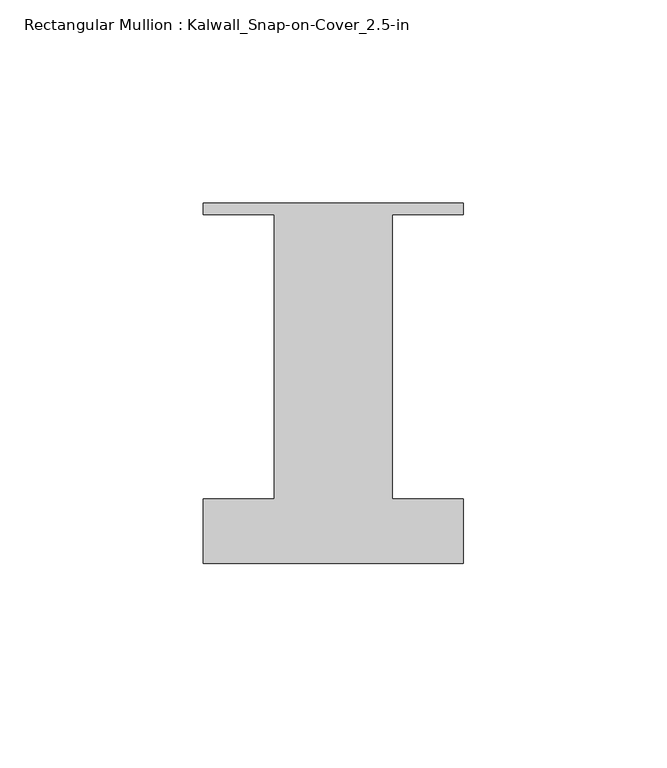
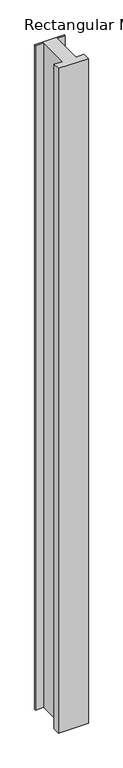
"""IFC4 building model written with IfcOpenShell, lengths in millimetres: member geometry, Rectangular Mullion : Kalwall_Snap-on-Cover_2.5-in."""

from ifc_helpers import new_model, si_unit, frame, origin, place, context, project, spatial, polyline, outline, extrude, source, transform, mapped, element, save


def rectangular_mullion_kalwall_snap_on_cover_2_5_in_87eda4e7(model_context):
    return source(origin(), model_context, "Body", "SweptSolid", [
        extrude(outline(polyline([(-32.0, 37.794), (32.0, 37.794), (32.0, 35.0), (14.5, 35.0), (14.5, -35.0), (32.0, -35.0), (32.0, -50.875), (-32.0, -50.875), (-32.0, -35.0), (-14.5, -35.0), (-14.5, 35.0), (-32.0, 35.0), (-32.0, 37.794)])), frame((0.0, 0.0, -1509.9318003), z_axis=(0.0, 0.0, 1.0), x_axis=(1.0, 0.0, 0.0)), (0.0, 0.0, 1.0), 1509.9318003),
    ])


if __name__ == "__main__":
    model = new_model("IFC4")
    model_context = context("Model", 3, world=origin())
    ifc_project = project(units=[si_unit("LENGTHUNIT", "METRE", prefix="MILLI")], contexts=[model_context])
    site = spatial("IfcSite", under=ifc_project)
    building = spatial("IfcBuilding", under=site)
    placement = place(None, origin())
    rectangular_mullion_kalwall_snap_on_cover_2_5_in_shape = rectangular_mullion_kalwall_snap_on_cover_2_5_in_87eda4e7(model_context)
    element("IfcMember", 1, ObjectType="Rectangular Mullion : Kalwall_Snap-on-Cover_2.5-in", at=placement, inside=building, context=model_context, shape_type="MappedRepresentation", body=[
        mapped(rectangular_mullion_kalwall_snap_on_cover_2_5_in_shape, transform((0.0, 0.0, 0.0), x_axis=(1.0, 0.0, 0.0), y_axis=(0.0, 1.0, 0.0), z_axis=(0.0, 0.0, 1.0))),
    ])
    save(model, "model.ifc")
